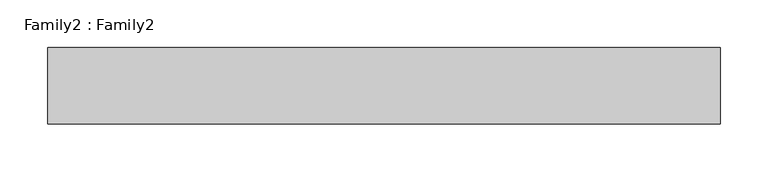
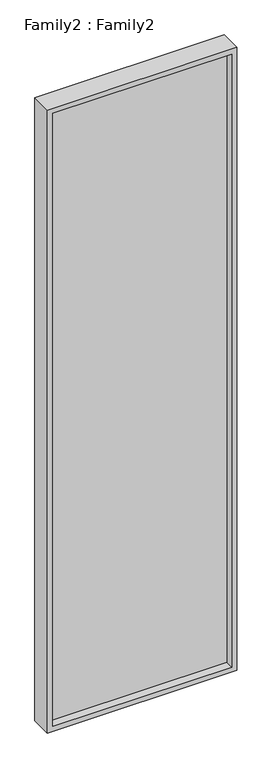
"""IFC4 building model written with IfcOpenShell, lengths in millimetres: plate geometry, Family2 : Family2."""

from ifc_helpers import new_model, si_unit, frame, origin, place, context, project, spatial, polyline, outline, extrude, source, transform, mapped, element, save


def family2_family2_e1452c3c(model_context):
    return source(origin(), model_context, "Body", "SweptSolid", [
        extrude(outline(polyline([(2450.0, -352.5), (0.0, -352.5), (0.0, 352.5), (2450.0, 352.5), (2450.0, -352.5)]), holes=[polyline([(20.0, -332.5), (2430.0, -332.5), (2430.0, 332.5), (20.0, 332.5), (20.0, -332.5)])]), frame((0.0, -40.0, 0.0), z_axis=(0.0, 1.0, 0.0), x_axis=(0.0, 0.0, 1.0)), (0.0, 0.0, 1.0), 80.0),
        extrude(outline(polyline([(332.5, -10.0), (-332.5, -10.0), (-332.5, 10.0), (332.5, 10.0), (332.5, -10.0)])), frame((0.0, 0.0, 20.0), z_axis=(0.0, 0.0, 1.0), x_axis=(1.0, 0.0, 0.0)), (0.0, 0.0, 1.0), 2410.0),
    ])


if __name__ == "__main__":
    model = new_model("IFC4")
    model_context = context("Model", 3, world=origin())
    ifc_project = project(units=[si_unit("LENGTHUNIT", "METRE", prefix="MILLI")], contexts=[model_context])
    site = spatial("IfcSite", under=ifc_project)
    building = spatial("IfcBuilding", under=site)
    placement = place(None, origin())
    family2_family2_shape = family2_family2_e1452c3c(model_context)
    element("IfcPlate", 1, ObjectType="Family2 : Family2", at=placement, inside=building, context=model_context, shape_type="MappedRepresentation", body=[
        mapped(family2_family2_shape, transform((0.0, 0.0, 0.0), x_axis=(1.0, 0.0, 0.0), y_axis=(0.0, 1.0, 0.0), z_axis=(0.0, 0.0, 1.0))),
    ])
    save(model, "model.ifc")
